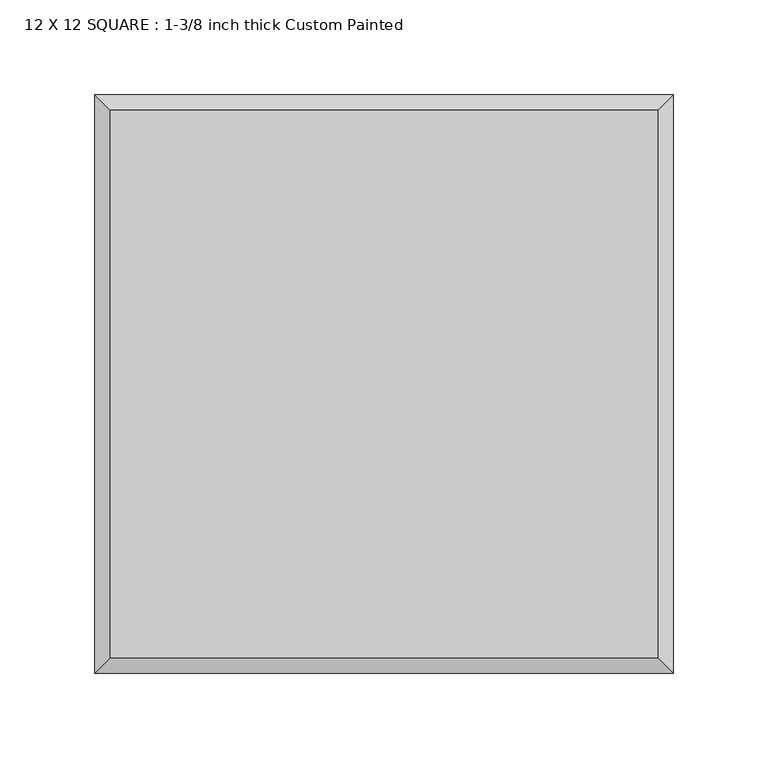
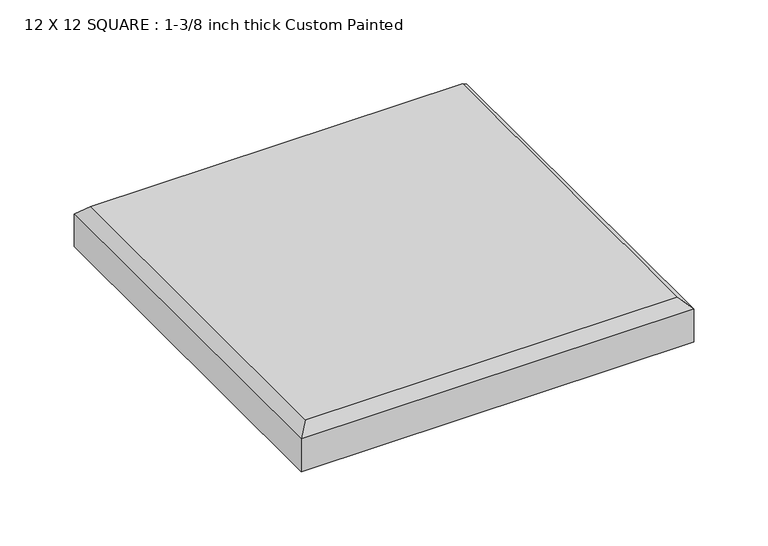
"""IFC4 building model written with IfcOpenShell, lengths in millimetres: proxy geometry, 12 X 12 SQUARE : 1-3/8 inch thick Custom Painted."""

import ifcopenshell
import ifcopenshell.guid

model = None  # the IFC model being written
_history = None  # IfcOwnerHistory: only IFC2X3 demands one
_inside = {}  # id of a spatial element -> (the spatial element, [elements in it])
_under = {}  # id of a project, library or spatial element -> (it, [spatial elements below it])
_declared = {}  # id of a project -> (the project, [libraries it declares])
_typed = {}  # id of a type object -> (the type object, [elements of that type])
_made_of = {}  # id of a material, layer set ... -> (it, [elements and type objects made of it])


def new_model(schema):
    """Start an empty IFC model of exactly this schema.

    Asked for "IFC4X3", IfcOpenShell would pick the latest addendum, in which some entities
    have other attributes; the version numbers below select the first issue.
    IFC2X3 requires an IfcOwnerHistory on every rooted entity: one is made here for all.
    """
    global model, _history
    if schema == "IFC4X3":
        model = ifcopenshell.file(schema_version=(4, 3, 0, 0))
    else:
        model = ifcopenshell.file(schema=schema)
    _inside.clear()
    _under.clear()
    _declared.clear()
    _typed.clear()
    _made_of.clear()
    _history = None
    if model.schema == "IFC2X3":
        org = make("IfcOrganization", Name="unknown")
        user = make(
            "IfcPersonAndOrganization",
            ThePerson=make("IfcPerson", FamilyName="unknown"),
            TheOrganization=org,
        )
        app = make(
            "IfcApplication",
            ApplicationDeveloper=org,
            Version="unknown",
            ApplicationFullName="unknown",
            ApplicationIdentifier="unknown",
        )
        _history = make(
            "IfcOwnerHistory",
            OwningUser=user,
            OwningApplication=app,
            ChangeAction="ADDED",
            CreationDate=0,
        )
    return model


def make(cls, **values):
    """One entity of the class cls with the attributes given. An attribute that is None is left unset."""
    return model.create_entity(
        cls, **{name: value for name, value in values.items() if value is not None}
    )


def rooted(cls, **values):
    """An entity with a GlobalId (a new one), such as an element, a storey or a relation."""
    return make(cls, GlobalId=ifcopenshell.guid.new(), OwnerHistory=_history, **values)


def si_unit(unit_type, name, prefix=None):
    """IfcSIUnit, for example si_unit("LENGTHUNIT", "METRE", prefix="MILLI")."""
    return make("IfcSIUnit", UnitType=unit_type, Prefix=prefix, Name=name)


def assignment(units):
    """IfcUnitAssignment: the units of a project."""
    return None if units is None else make("IfcUnitAssignment", Units=units)


def point(xyz):
    """IfcCartesianPoint."""
    return None if xyz is None else make("IfcCartesianPoint", Coordinates=xyz)


def direction(xyz):
    """IfcDirection."""
    return None if xyz is None else make("IfcDirection", DirectionRatios=xyz)


def frame(location, z_axis=None, x_axis=None):
    """IfcAxis2Placement3D, a coordinate frame: its origin and axes. An axis left out is left unset."""
    return make(
        "IfcAxis2Placement3D",
        Location=point(location),
        Axis=direction(z_axis),
        RefDirection=direction(x_axis),
    )


def origin():
    """The frame at (0, 0, 0) with its axes left unset."""
    return frame((0.0, 0.0, 0.0))


def place(relative_to, where):
    """IfcLocalPlacement: puts the frame where relative to a parent placement (None: the world)."""
    return make(
        "IfcLocalPlacement", PlacementRelTo=relative_to, RelativePlacement=where
    )


def context(
    kind, dimensions, precision=None, world=None, true_north=None, identifier=None
):
    """IfcGeometricRepresentationContext, for example the 3D "Model" context."""
    return make(
        "IfcGeometricRepresentationContext",
        ContextIdentifier=identifier,
        ContextType=kind,
        CoordinateSpaceDimension=dimensions,
        Precision=precision,
        WorldCoordinateSystem=world,
        TrueNorth=true_north,
    )


def project(units=None, contexts=None):
    """IfcProject with its units and contexts."""
    return rooted(
        "IfcProject",
        Name="project",
        RepresentationContexts=contexts,
        UnitsInContext=assignment(units),
    )


def spatial(cls, under=None, at=None, **own):
    """A site, building, storey or space (cls), placed at a placement, below another one or the project."""
    s = rooted(cls, ObjectPlacement=at, **own)
    if under is not None:
        _under.setdefault(under.id(), (under, []))[1].append(s)
    return s


def faces_of(points, faces, orient=None, outer=None):
    """IfcFace entities. A face is a list of loops; a loop is a list of indices into points, from 0.

    orient and outer hold one flag for each loop. By default every Orientation is true, the
    first loop of a face is its IfcFaceOuterBound and the others are IfcFaceBound.
    """
    made = []
    for i, loops in enumerate(faces):
        bounds = []
        for j, loop in enumerate(loops):
            is_outer = j == 0 if outer is None else outer[i][j]
            bounds.append(
                make(
                    "IfcFaceOuterBound" if is_outer else "IfcFaceBound",
                    Bound=make("IfcPolyLoop", Polygon=[points[k] for k in loop]),
                    Orientation=True if orient is None else orient[i][j],
                )
            )
        made.append(make("IfcFace", Bounds=bounds))
    return made


def faceted_brep(points, faces, orient=None, outer=None, voids=None):
    """IfcFacetedBrep: a solid bounded by flat faces; with voids (closed shells), ...WithVoids."""
    shared = [point(p) for p in points]
    hull = make("IfcClosedShell", CfsFaces=faces_of(shared, faces, orient, outer))
    if voids is None:
        return make("IfcFacetedBrep", Outer=hull)
    return make(
        "IfcFacetedBrepWithVoids",
        Outer=hull,
        Voids=[
            make(cls, CfsFaces=faces_of(shared, fs, o, b)) for cls, fs, o, b in voids
        ],
    )


def shape(context_of_items, identifier, shape_type, items):
    """IfcShapeRepresentation: the items that make up one representation, for example the "Body"."""
    return make(
        "IfcShapeRepresentation",
        ContextOfItems=context_of_items,
        RepresentationIdentifier=identifier,
        RepresentationType=shape_type,
        Items=items,
    )


def source(mapping_origin, context_of_items, identifier, shape_type, items):
    """IfcRepresentationMap: a shape defined once, which mapped items show again and again."""
    return make(
        "IfcRepresentationMap",
        MappingOrigin=mapping_origin,
        MappedRepresentation=shape(context_of_items, identifier, shape_type, items),
    )


def transform(
    local_origin,
    x_axis=None,
    y_axis=None,
    z_axis=None,
    scale=None,
    scale2=None,
    scale3=None,
    uniform=True,
):
    """IfcCartesianTransformationOperator3D, or its non-uniform kind. x_axis, y_axis, z_axis: its Axis1, 2, 3."""
    if uniform:
        return make(
            "IfcCartesianTransformationOperator3D",
            Axis1=direction(x_axis),
            Axis2=direction(y_axis),
            LocalOrigin=point(local_origin),
            Scale=scale,
            Axis3=direction(z_axis),
        )
    return make(
        "IfcCartesianTransformationOperator3DnonUniform",
        Axis1=direction(x_axis),
        Axis2=direction(y_axis),
        LocalOrigin=point(local_origin),
        Scale=scale,
        Axis3=direction(z_axis),
        Scale2=scale2,
        Scale3=scale3,
    )


def mapped(mapping_source, mapping_target):
    """IfcMappedItem: shows the shape of a source again, moved by a transform."""
    return make(
        "IfcMappedItem", MappingSource=mapping_source, MappingTarget=mapping_target
    )


def made_of(thing, what):
    """Note that an element or type object is made of a material, layer set ...; save() writes the relation."""
    if what is not None:
        _made_of.setdefault(what.id(), (what, []))[1].append(thing)
    return thing


def element(
    cls,
    number,
    at=None,
    inside=None,
    cuts=None,
    type_object=None,
    material=None,
    context=None,
    identifier="Body",
    shape_type=None,
    held_by="IfcProductDefinitionShape",
    body=None,
    shapes=None,
    **own,
):
    """One element of the class cls, such as IfcWall. Its Tag is "e" and its number.

    at: its placement. inside: the storey or other place that contains it. cuts: it is an
    opening in that element (IfcRelVoidsElement). A single representation is given by context,
    identifier, shape_type and body (its items); several are given by shapes. held_by: the class
    of the entity that holds the representations. save() writes the other relations.
    """
    e = rooted(cls, Tag="e%d" % number, ObjectPlacement=at, **own)
    if body is not None:
        shapes = [shape(context, identifier, shape_type, body)]
    if shapes is not None:
        e.Representation = make(held_by, Representations=shapes)
    if inside is not None:
        _inside.setdefault(inside.id(), (inside, []))[1].append(e)
    if cuts is not None:
        rooted(
            "IfcRelVoidsElement", RelatingBuildingElement=cuts, RelatedOpeningElement=e
        )
    if type_object is not None:
        _typed.setdefault(type_object.id(), (type_object, []))[1].append(e)
    return made_of(e, material)


def aggregate(whole, parts):
    """IfcRelAggregates: a whole, such as a stair, and the parts it consists of."""
    return rooted("IfcRelAggregates", RelatingObject=whole, RelatedObjects=parts)


def save(model, path):
    """Write the relations noted so far, then the file.

    IfcRelAggregates (storeys below a building ...), IfcRelContainedInSpatialStructure (elements
    in a storey), IfcRelDefinesByType, IfcRelAssociatesMaterial and IfcRelDeclares: one each for
    every whole, place, type object, material and project.
    """
    for whole, parts in _under.values():
        aggregate(whole, parts)
    for where, things in _inside.values():
        rooted(
            "IfcRelContainedInSpatialStructure",
            RelatedElements=things,
            RelatingStructure=where,
        )
    for kind, things in _typed.values():
        rooted("IfcRelDefinesByType", RelatedObjects=things, RelatingType=kind)
    for what, things in _made_of.values():
        rooted("IfcRelAssociatesMaterial", RelatedObjects=things, RelatingMaterial=what)
    for by, libraries in _declared.values():
        rooted("IfcRelDeclares", RelatingContext=by, RelatedDefinitions=libraries)
    model.write(path)


def proxy_12_x_12_square_1_3_8_inch_thick_custom_painted_1f3bc5f1(model_context):
    return source(origin(), model_context, "Body", "Brep", [
        faceted_brep([(144.399, 144.399, 34.925), (-144.399, 144.399, 34.925), (-144.399, -144.399, 34.925), (144.399, -144.399, 34.925), (-152.4, 152.4, 0.0), (152.4, 152.4, 0.0), (152.4, -152.4, 0.0), (-152.4, -152.4, 0.0), (-152.4, -152.4, 26.924), (-152.4, 152.4, 26.924), (152.4, -152.4, 26.924), (152.4, 152.4, 26.924)], [[[0, 1, 2, 3]], [[4, 5, 6, 7]], [[4, 7, 8, 9]], [[7, 6, 10, 8]], [[6, 5, 11, 10]], [[5, 4, 9, 11]], [[9, 1, 0, 11]], [[1, 9, 8, 2]], [[2, 8, 10, 3]], [[11, 0, 3, 10]]]),
    ])


if __name__ == "__main__":
    model = new_model("IFC4")
    model_context = context("Model", 3, world=origin())
    ifc_project = project(units=[si_unit("LENGTHUNIT", "METRE", prefix="MILLI")], contexts=[model_context])
    site = spatial("IfcSite", under=ifc_project)
    building = spatial("IfcBuilding", under=site)
    placement = place(None, origin())
    proxy_12_x_12_square_1_3_8_inch_thick_custom_painted_shape = proxy_12_x_12_square_1_3_8_inch_thick_custom_painted_1f3bc5f1(model_context)
    element("IfcBuildingElementProxy", 1, Name="12 X 12 SQUARE : 1-3/8 inch thick Custom Painted", ObjectType="12 X 12 SQUARE : 1-3/8 inch thick Custom Painted", at=placement, inside=building, context=model_context, shape_type="MappedRepresentation", body=[
        mapped(proxy_12_x_12_square_1_3_8_inch_thick_custom_painted_shape, transform((0.0, 0.0, 0.0), x_axis=(1.0, 0.0, 0.0), y_axis=(0.0, 1.0, 0.0), z_axis=(0.0, 0.0, 1.0))),
    ])
    save(model, "model.ifc")
